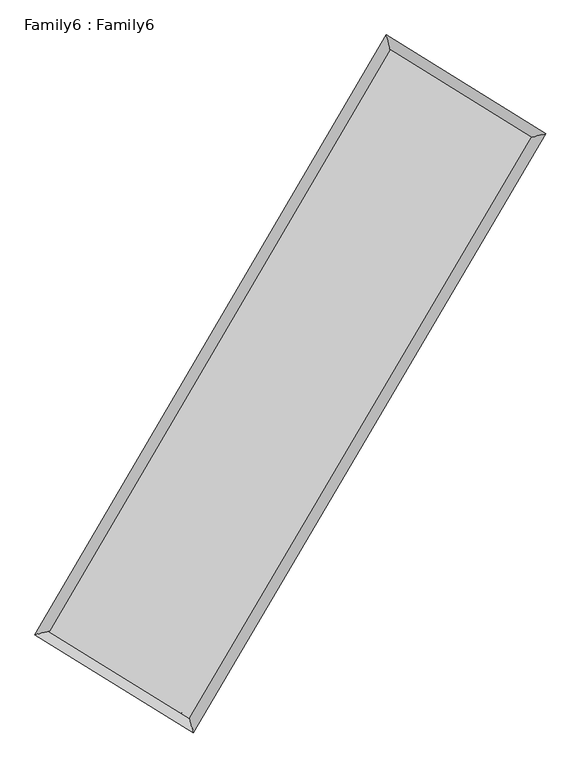
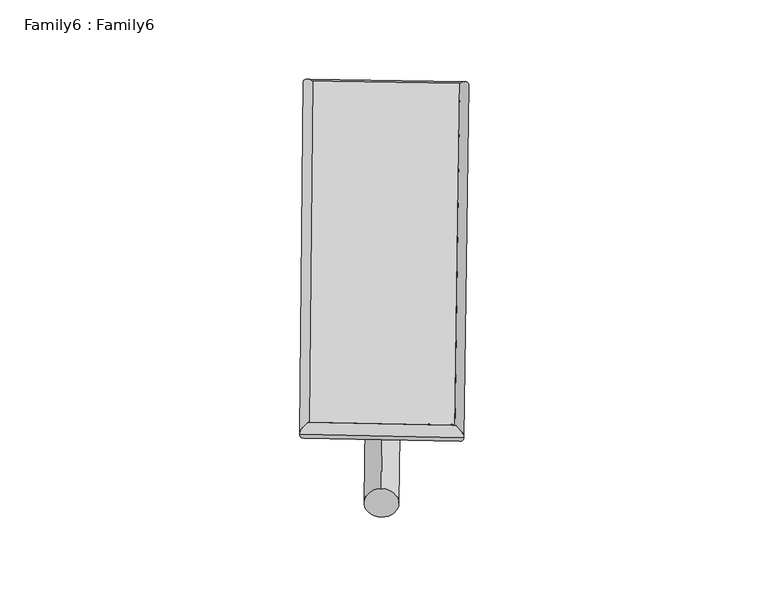
"""IFC4 building model written with IfcOpenShell, lengths in millimetres: plate geometry, Family6 : Family6."""

from ifc_helpers import new_model, si_unit, point, frame, origin, origin_2d, place, context, project, spatial, circle_curve, ellipse_curve, trimmed, segment, composite_curve, outline, extrude, source, transform, mapped, element, save
from ifc_brep_helpers import plane_surface, cylinder_surface, spline_surface, advanced_brep


def family6_family6_cbbc00c7(model_context):
    return source(origin(), model_context, "Body", "SolidModel", [
        extrude(outline(composite_curve([segment(trimmed(circle_curve(origin_2d(), 76.2), [point((-75.4341514, -10.7763073))], [point((75.4341514, 10.7763073))], False, "CARTESIAN"), True, "CONTINUOUS"), segment(trimmed(circle_curve(origin_2d(), 76.2), [point((75.4341514, 10.7763073))], [point((-75.4341514, -10.7763073))], False, "CARTESIAN"), True, "CONTINUOUS")], self_intersect=False)), frame((9144.0, 9144.0, 0.0), z_axis=(0.6731834211193738, 0.6863753164646941, 0.2751599652529546), x_axis=(-0.6786462737420554, 0.7212357774484045, -0.1387738752950957)), (0.0, 0.0, 1.0), 5548.5417959),
        extrude(outline(composite_curve([segment(trimmed(circle_curve(origin_2d(), 76.2), [point((-53.8815368, 53.8815367))], [point((53.8815368, -53.8815367))], False, "CARTESIAN"), True, "CONTINUOUS"), segment(trimmed(circle_curve(origin_2d(), 76.2), [point((53.8815368, -53.8815367))], [point((-53.8815368, 53.8815367))], False, "CARTESIAN"), True, "CONTINUOUS")], self_intersect=False)), frame((9144.0, 9144.0, 0.0), z_axis=(-0.6715797784282285, -0.6879189771998001, 0.2752236945008049), x_axis=(0.6432709476815911, -0.3570147002304972, 0.6773056855572349)), (0.0, 0.0, 1.0), 5547.1146104),
        extrude(outline(composite_curve([segment(trimmed(circle_curve(origin_2d(), 76.2), [point((-53.8815367, -53.8815367))], [point((53.8815367, 53.8815367))], False, "CARTESIAN"), True, "CONTINUOUS"), segment(trimmed(circle_curve(origin_2d(), 76.2), [point((53.8815367, 53.8815367))], [point((-53.8815367, -53.8815367))], False, "CARTESIAN"), True, "CONTINUOUS")], self_intersect=False)), frame((9144.0, 9144.0, 0.0), z_axis=(0.27378964358692714, 0.9228751886499926, 0.27081472862232636), x_axis=(-0.8396813305701456, 0.366667006982589, -0.4006127420369701)), (0.0, 0.0, 1.0), 5606.8412534),
        extrude(outline(composite_curve([segment(trimmed(circle_curve(origin_2d(), 76.2), [point((-75.4341514, 10.7763074))], [point((75.4341514, -10.7763074))], False, "CARTESIAN"), True, "CONTINUOUS"), segment(trimmed(circle_curve(origin_2d(), 76.2), [point((75.4341514, -10.7763074))], [point((-75.4341514, 10.7763074))], False, "CARTESIAN"), True, "CONTINUOUS")], self_intersect=False)), frame((9144.0, 9144.0, 0.0), z_axis=(-0.2756972637655095, -0.9222406124734013, 0.27104108813406275), x_axis=(0.8784136249340477, -0.12721043513099445, 0.4606593195887926)), (0.0, 0.0, 1.0), 5601.6412636),
        advanced_brep(
        [(5212.0636353, 5276.6988088, 1526.0463006), (5212.0614897, 5276.6956061, 1527.5369004), (5625.2763629, 5379.3703729, 1527.3484532), (10731.6198813, 14106.4159042, 1519.3088598), (10626.5702555, 14530.4134548, 1517.5215252), (5625.2785085, 5379.3735756, 1525.8578534), (12672.3797045, 12901.4017708, 1526.6493692), (13085.9929923, 13003.3624914, 1526.8237663), (7547.3229896, 4189.5632875, 1518.4353438), (7651.9626725, 3766.314573, 1518.114543)],
        [
            (0, 1, ellipse_curve(frame((5418.6699991, 5328.0345908, 1526.6973769), z_axis=(-0.2411439830468486, 0.9704877941058163, 0.0017380828311221715), x_axis=(-0.9704838967157939, -0.24114824527986556, 0.002920618730667209)), 212.8932066, 152.4)),
            (1, 2, ellipse_curve(frame((5418.6699991, 5328.0345908, 1526.6973769), z_axis=(-0.2411439830468486, 0.9704877941058163, 0.0017380828311221715), x_axis=(-0.9704838967157939, -0.24114824527986556, 0.002920618730667209)), 212.8932066, 152.4)),
            (2, 3),
            (3, 4, ellipse_curve(frame((10679.0950684, 14318.4146795, 1518.4151925), z_axis=(-0.9706487742046599, -0.2404952278812881, -0.0017327727255342614), x_axis=(0.24048994178427313, -0.9706475981190684, 0.002797886037789255)), 218.4106671, 152.4)),
            (4, 0),
            (2, 5, ellipse_curve(frame((5418.6699991, 5328.0345908, 1526.6973769), z_axis=(-0.2411439830468486, 0.9704877941058163, 0.0017380828311221715), x_axis=(-0.9704838967157939, -0.24114824527986556, 0.002920618730667209)), 212.8932066, 152.4)),
            (5, 0, ellipse_curve(frame((5418.6699991, 5328.0345908, 1526.6973769), z_axis=(-0.2411439830468486, 0.9704877941058163, 0.0017380828311221715), x_axis=(-0.9704838967157939, -0.24114824527986556, 0.002920618730667209)), 212.8932066, 152.4)),
            (4, 3, ellipse_curve(frame((10679.0950684, 14318.4146795, 1518.4151925), z_axis=(-0.9706487742046599, -0.2404952278812881, -0.0017327727255342614), x_axis=(0.24048994178427313, -0.9706475981190684, 0.002797886037789255)), 218.4106671, 152.4)),
            (3, 6),
            (6, 7, ellipse_curve(frame((12879.1863484, 12952.3821311, 1526.7365678), z_axis=(-0.2393460879150903, 0.9709328689200747, -0.0016775727629879135), x_axis=(-0.9709290477089758, -0.2393501243565468, -0.0028813686760360215)), 212.9982559, 152.4)),
            (7, 4),
            (7, 6, ellipse_curve(frame((12879.1863484, 12952.3821311, 1526.7365678), z_axis=(-0.2393460879150903, 0.9709328689200747, -0.0016775727629879135), x_axis=(-0.9709290477089758, -0.2393501243565468, -0.0028813686760360215)), 212.9982559, 152.4)),
            (6, 8),
            (8, 9, ellipse_curve(frame((7599.642831, 3977.9389302, 1518.2749434), z_axis=(0.9707701376162708, 0.24000461854027738, -0.0017671988633404865), x_axis=(-0.23999909479388307, 0.9707688859677146, 0.002864355969292063)), 217.9965261, 152.4)),
            (9, 7),
            (9, 8, ellipse_curve(frame((7599.642831, 3977.9389302, 1518.2749434), z_axis=(0.9707701376162708, 0.24000461854027738, -0.0017671988633404865), x_axis=(-0.23999909479388307, 0.9707688859677146, 0.002864355969292063)), 217.9965261, 152.4)),
            (8, 5),
            (1, 9),
        ],
        [
            cylinder_surface(frame((5418.6699991, 5328.0345908, 1526.6973769), z_axis=(-0.5050191210263759, -0.8631077888562108, 0.0007951185380634489), x_axis=(-0.8630990928470259, 0.5050093827660139, -0.005047696992757352)), 152.4),
            cylinder_surface(frame((10679.0950684, 14318.4146795, 1518.4151925), z_axis=(-0.8495564146045931, 0.5274879840602693, -0.00321326566315569), x_axis=(0.5274959744787714, 0.8495536571675786, -0.0025652488931355165)), 152.4),
            cylinder_surface(frame((12879.1863484, 12952.3821311, 1526.7365678), z_axis=(0.5070527293445348, 0.8619146531084676, 0.0008126630102345642), x_axis=(0.8619150078084894, -0.5070527293445348, -0.000221311431589434)), 152.4),
            cylinder_surface(frame((7599.642831, 3977.9389302, 1518.2749434), z_axis=(0.8502658633084292, -0.5263432150879158, -0.0032835382269126583), x_axis=(-0.5263382153977292, -0.8502721716844704, 0.002305877470309559)), 152.4),
        ],
        [
            (0, [[1, 2, 3, 4, 5]]),
            (0, [[6, 7, -5, 8, -3]]),
            (1, [[-4, 9, 10, 11]]),
            (1, [[-8, -11, 12, -9]]),
            (2, [[-10, 13, 14, 15]]),
            (2, [[-12, -15, 16, -13]]),
            (3, [[-14, 17, -6, -2, 18]]),
            (3, [[-16, -18, -1, -7, -17]]),
        ],
    ),
        extrude(outline(composite_curve([segment(trimmed(circle_curve(origin_2d(), 304.8), [point((0.0, 304.8))], [point((-1e-07, -304.8))], False, "CARTESIAN"), True, "CONTINUOUS"), segment(trimmed(circle_curve(origin_2d(), 304.8), [point((-1e-07, -304.8))], [point((0.0, 304.8))], False, "CARTESIAN"), True, "CONTINUOUS")], self_intersect=False)), frame((11792.3389595, 13647.3640964, -0.0002543), z_axis=(-0.5069207583011173, -0.8619926593674786, 4.867813004821061e-08), x_axis=(-0.8619926593674798, 0.5069207583011173, -1.3252444617639778e-08)), (0.0, 0.0, 1.0), 10448.7295743),
        advanced_brep(
        [(5418.6699991, 5328.0345908, 1526.6973769), (7599.642831, 3977.9389302, 1518.2749434), (7599.6426925, 3977.937513, 1670.6749434), (5418.6698605, 5328.0331736, 1679.0973769), (12879.1863484, 12952.3821311, 1526.7365678), (12879.1862098, 12952.3807139, 1679.1365678), (10679.0950684, 14318.4146795, 1518.4151925), (10679.0949298, 14318.4132622, 1670.8151925)],
        [
            (0, 1),
            (1, 2),
            (2, 3),
            (3, 0),
            (1, 4),
            (4, 5),
            (5, 2),
            (4, 6),
            (6, 7),
            (7, 5),
            (6, 0),
            (3, 7),
        ],
        [
            plane_surface(frame((6509.1564151, 4652.9867605, 1522.4861601), z_axis=(-0.5263460759217351, -0.8502704324457426, -8.385744862267862e-06), x_axis=(0.8502658633084295, -0.5263432150879155, -0.0032835382269126596))),
            plane_surface(frame((10239.4145897, 8465.1605307, 1522.5057556), z_axis=(0.8619149393353374, -0.507052894021033, -3.931553914069113e-06), x_axis=(0.5070527293445346, 0.8619146531084676, 0.0008126630102345636))),
            plane_surface(frame((11779.1407084, 13635.3984053, 1522.5758801), z_axis=(0.5274906843627633, 0.8495608146803126, 8.380186626013144e-06), x_axis=(-0.8495564146045931, 0.5274879840602693, -0.0032132656631556904))),
            plane_surface(frame((8048.8825337, 9823.2246352, 1522.5562847), z_axis=(-0.8631080601132435, 0.5050192833469367, 3.911557321740892e-06), x_axis=(-0.5050191210263761, -0.8631077888562105, 0.000795118538063448))),
            spline_surface(1, 1, [[(7599.6426925, 3977.937513, 1670.6749434), (5418.6698605, 5328.0331736, 1679.0973769)], [(12879.1862098, 12952.3807139, 1679.1365678), (10679.0949298, 14318.4132622, 1670.8151925)]], [2, 2], [2, 2], [0.0, 1.0], [0.0, 1.0]),
            spline_surface(1, 1, [[(10679.0950684, 14318.4146795, 1518.4151925), (5418.6699991, 5328.0345908, 1526.6973769)], [(12879.1863484, 12952.3821311, 1526.7365678), (7599.642831, 3977.9389302, 1518.2749434)]], [2, 2], [2, 2], [0.0, 1.0], [0.0, 1.0]),
        ],
        [
            (0, [[1, 2, 3, 4]]),
            (1, [[5, 6, 7, -2]]),
            (2, [[8, 9, 10, -6]]),
            (3, [[11, -4, 12, -9]]),
            (4, [[-3, -7, -10, -12]]),
            (5, [[-11, -8, -5, -1]]),
        ],
    ),
    ])


if __name__ == "__main__":
    model = new_model("IFC4")
    model_context = context("Model", 3, world=origin())
    ifc_project = project(units=[si_unit("LENGTHUNIT", "METRE", prefix="MILLI")], contexts=[model_context])
    site = spatial("IfcSite", under=ifc_project)
    building = spatial("IfcBuilding", under=site)
    placement = place(None, origin())
    family6_family6_shape = family6_family6_cbbc00c7(model_context)
    element("IfcPlate", 1, ObjectType="Family6 : Family6", at=placement, inside=building, context=model_context, shape_type="MappedRepresentation", body=[
        mapped(family6_family6_shape, transform((0.0, 0.0, 0.0), x_axis=(1.0, 0.0, 0.0), y_axis=(0.0, 1.0, 0.0), z_axis=(0.0, 0.0, 1.0))),
    ])
    save(model, "model.ifc")
